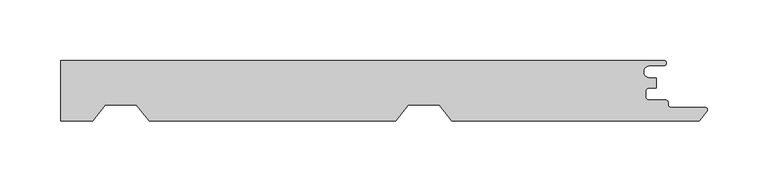
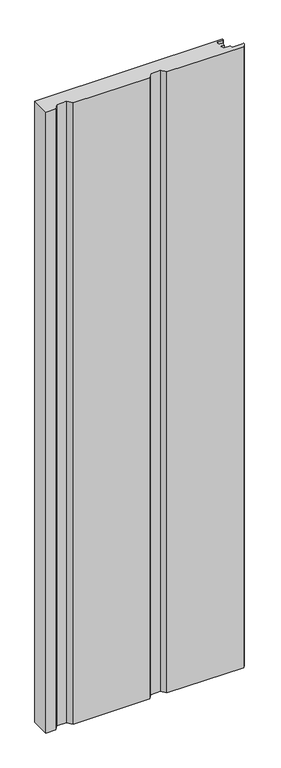
"""IFC4 building model written with IfcOpenShell, lengths in millimetres: proxy geometry."""

from ifc_helpers import new_model, si_unit, point, frame_2d, origin, origin_with_axes, place, context, project, spatial, polyline, circle_curve, trimmed, segment, composite_curve, outline, extrude, source, transform, mapped, element, save


def generic_models_cbaac6fa(model_context):
    return source(origin(), model_context, "Body", "SweptSolid", [
        extrude(outline(composite_curve([segment(polyline([(497.8, 20.6), (486.1740239, 20.6)]), True, "CONTINUOUS"), segment(trimmed(circle_curve(frame_2d((486.1740239, 15.5818865)), 5.0181135), [point((486.1740239, 20.6))], [point((486.1740239, 10.5637731))], True, "CARTESIAN"), True, "CONTINUOUS"), segment(polyline([(486.1740239, 10.5637731), (491.826199, 10.5637731), (491.826199, 2.1668444), (485.634822, 2.1668444)]), True, "CONTINUOUS"), segment(trimmed(circle_curve(frame_2d((485.634822, -0.5831555)), 2.7499999), [point((485.634822, 2.1668444))], [point((482.8848221, -0.5831555))], True, "CARTESIAN"), True, "CONTINUOUS"), segment(polyline([(482.8848221, -0.5831555), (482.8848221, -5.0831556)]), True, "CONTINUOUS"), segment(trimmed(circle_curve(frame_2d((485.634822, -5.0831556)), 2.7499999), [point((482.8848221, -5.0831556))], [point((485.634822, -7.8331556))], True, "CARTESIAN"), True, "CONTINUOUS"), segment(polyline([(485.634822, -7.8331556), (499.3603917, -7.8331556)]), True, "CONTINUOUS"), segment(trimmed(circle_curve(frame_2d((499.3603917, -9.8331556)), 2.0), [point((499.3603917, -7.8331556))], [point((501.3603917, -9.8331556))], False, "CARTESIAN"), True, "CONTINUOUS"), segment(polyline([(501.3603917, -9.8331556), (501.3603917, -11.8001056)]), True, "CONTINUOUS"), segment(trimmed(circle_curve(frame_2d((503.3603917, -11.8001056)), 2.0), [point((501.3603917, -11.8001056))], [point((503.3603917, -13.8001056))], True, "CARTESIAN"), True, "CONTINUOUS"), segment(polyline([(503.3603917, -13.8001056), (531.7579459, -13.8001056)]), True, "CONTINUOUS"), segment(trimmed(circle_curve(frame_2d((531.7579459, -15.9001056)), 2.1), [point((531.7579459, -13.8001056))], [point((533.3977704, -17.2119652))], False, "CARTESIAN"), True, "CONTINUOUS"), segment(polyline([(533.3977704, -17.2119652), (527.1673425, -25.0), (323.0, -25.0), (312.6000971, -12.0), (287.0155837, -12.0), (276.6156808, -25.0), (73.0, -25.0), (62.6000971, -12.0), (37.0155837, -12.0), (26.6156808, -25.0), (0.0, -25.0), (0.0, 25.0), (497.8, 25.0)]), True, "CONTINUOUS"), segment(trimmed(circle_curve(frame_2d((497.8, 22.8)), 2.2), [point((497.8, 25.0))], [point((500.0, 22.8))], False, "CARTESIAN"), True, "CONTINUOUS"), segment(trimmed(circle_curve(frame_2d((497.8, 22.8)), 2.2), [point((500.0, 22.8))], [point((497.8, 20.6))], False, "CARTESIAN"), True, "CONTINUOUS")], self_intersect=False)), origin_with_axes(), (0.0, 0.0, 1.0), 1750.0),
    ])


if __name__ == "__main__":
    model = new_model("IFC4")
    model_context = context("Model", 3, world=origin())
    ifc_project = project(units=[si_unit("LENGTHUNIT", "METRE", prefix="MILLI")], contexts=[model_context])
    site = spatial("IfcSite", under=ifc_project)
    building = spatial("IfcBuilding", under=site)
    placement = place(None, origin())
    generic_models_shape = generic_models_cbaac6fa(model_context)
    element("IfcBuildingElementProxy", 1, Name="Generic Models", at=placement, inside=building, context=model_context, shape_type="MappedRepresentation", body=[
        mapped(generic_models_shape, transform((0.0, 0.0, 0.0), x_axis=(1.0, 0.0, 0.0), y_axis=(0.0, 1.0, 0.0), z_axis=(0.0, 0.0, 1.0))),
    ])
    save(model, "model.ifc")
